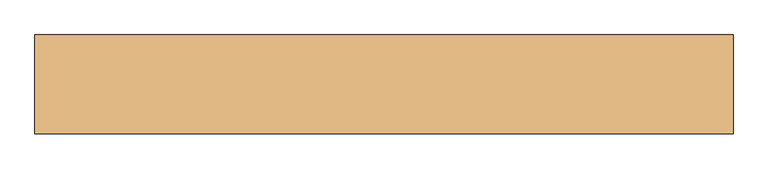
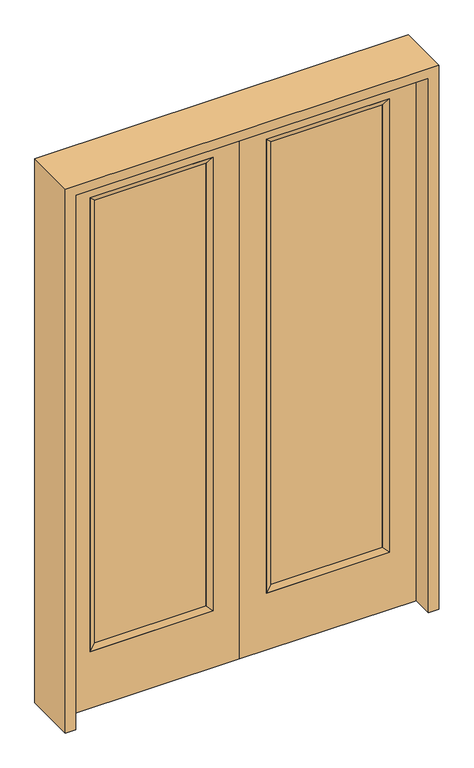
"""IFC4 building model written with IfcOpenShell, lengths in millimetres: door geometry."""

from ifc_helpers import new_model, si_unit, frame, origin, place, context, project, spatial, polyline, outline, extrude, faceted_brep, source, transform, mapped, element, save


def door_25969ca2(model_context):
    return source(origin(), model_context, "Body", "SolidModel", [
        extrude(outline(polyline([(140.8176, -12.7039749), (140.8176, 14.2875), (621.1824, 14.2875), (621.1824, -12.7039749), (140.8176, -12.7039749)])), frame((0.0, 0.0, 285.75), z_axis=(0.0, 0.0, 1.0), x_axis=(1.0, 0.0, 0.0)), (0.0, 0.0, 1.0), 2019.3),
        faceted_brep([(140.8176, 14.2875, 2305.05), (140.8176, 14.2875, 285.75), (115.4176, 22.225, 260.35), (115.4176, 22.225, 2330.45), (115.4176, -22.225, 260.35), (115.4176, -22.225, 2330.45), (621.1824, 14.2875, 285.75), (646.5824, 22.225, 260.35), (140.8176, -12.7039749, 2305.05), (140.8176, -12.7039749, 285.75), (621.1824, -12.7039749, 285.75), (646.5824, -22.225, 260.35), (621.1824, 14.2875, 2305.05), (646.5824, 22.225, 2330.45), (621.1824, -12.7039749, 2305.05), (646.5824, -22.225, 2330.45)], [[[0, 1, 2, 3]], [[3, 2, 4, 5]], [[1, 6, 7, 2]], [[8, 9, 1, 0]], [[9, 10, 6, 1]], [[5, 4, 9, 8]], [[4, 11, 10, 9]], [[2, 7, 11, 4]], [[6, 12, 13, 7]], [[10, 14, 12, 6]], [[11, 15, 14, 10]], [[7, 13, 15, 11]], [[12, 0, 3, 13]], [[14, 8, 0, 12]], [[15, 5, 8, 14]], [[13, 3, 5, 15]]]),
        extrude(outline(polyline([(0.0, 762.0), (2438.4, 762.0), (2438.4, 0.0), (0.0, 0.0), (0.0, 762.0)]), holes=[polyline([(260.35, 646.5824), (260.35, 115.4176), (2330.45, 115.4176), (2330.45, 646.5824), (260.35, 646.5824)])]), frame((0.0, -22.225, 0.0), z_axis=(0.0, 1.0, 0.0), x_axis=(0.0, 0.0, 1.0)), (0.0, 0.0, 1.0), 44.45),
        extrude(outline(polyline([(-140.8176, -12.7039749), (-621.1824, -12.7039749), (-621.1824, 14.2875), (-140.8176, 14.2875), (-140.8176, -12.7039749)])), frame((0.0, 0.0, 285.75), z_axis=(0.0, 0.0, 1.0), x_axis=(1.0, 0.0, 0.0)), (0.0, 0.0, 1.0), 2019.3),
        faceted_brep([(-140.8176, 14.2875, 2305.05), (-115.4176, 22.225, 2330.45), (-115.4176, 22.225, 260.35), (-140.8176, 14.2875, 285.75), (-115.4176, -22.225, 2330.45), (-115.4176, -22.225, 260.35), (-646.5824, 22.225, 260.35), (-621.1824, 14.2875, 285.75), (-140.8176, -12.7039749, 2305.05), (-140.8176, -12.7039749, 285.75), (-621.1824, -12.7039749, 285.75), (-646.5824, -22.225, 260.35), (-646.5824, 22.225, 2330.45), (-621.1824, 14.2875, 2305.05), (-621.1824, -12.7039749, 2305.05), (-646.5824, -22.225, 2330.45)], [[[0, 1, 2, 3]], [[1, 4, 5, 2]], [[3, 2, 6, 7]], [[8, 0, 3, 9]], [[9, 3, 7, 10]], [[4, 8, 9, 5]], [[5, 9, 10, 11]], [[2, 5, 11, 6]], [[7, 6, 12, 13]], [[10, 7, 13, 14]], [[11, 10, 14, 15]], [[6, 11, 15, 12]], [[13, 12, 1, 0]], [[14, 13, 0, 8]], [[15, 14, 8, 4]], [[12, 15, 4, 1]]]),
        extrude(outline(polyline([(0.0, -762.0), (0.0, 0.0), (2438.4, 0.0), (2438.4, -762.0), (0.0, -762.0)]), holes=[polyline([(260.35, -646.5824), (2330.45, -646.5824), (2330.45, -115.4176), (260.35, -115.4176), (260.35, -646.5824)])]), frame((0.0, -22.225, 0.0), z_axis=(0.0, 1.0, 0.0), x_axis=(0.0, 0.0, 1.0)), (0.0, 0.0, 1.0), 44.45),
        extrude(outline(polyline([(2482.85, -806.45), (0.0, -806.45), (0.0, -762.0), (2438.4, -762.0), (2438.4, 762.0), (0.0, 762.0), (0.0, 806.45), (2482.85, 806.45), (2482.85, -806.45)])), frame((0.0, -114.3, 0.0), z_axis=(0.0, 1.0, 0.0), x_axis=(0.0, 0.0, 1.0)), (0.0, 0.0, 1.0), 228.6),
    ])


if __name__ == "__main__":
    model = new_model("IFC4")
    model_context = context("Model", 3, world=origin())
    ifc_project = project(units=[si_unit("LENGTHUNIT", "METRE", prefix="MILLI")], contexts=[model_context])
    site = spatial("IfcSite", under=ifc_project)
    building = spatial("IfcBuilding", under=site)
    placement = place(None, origin())
    door_shape = door_25969ca2(model_context)
    element("IfcDoor", 1, at=placement, inside=building, context=model_context, shape_type="MappedRepresentation", body=[
        mapped(door_shape, transform((0.0, 0.0, 0.0), x_axis=(1.0, 0.0, 0.0), y_axis=(0.0, 1.0, 0.0), z_axis=(0.0, 0.0, 1.0))),
    ])
    save(model, "model.ifc")
